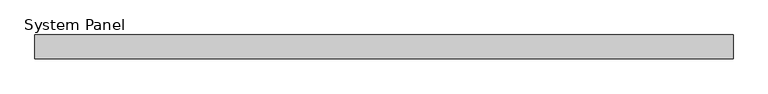
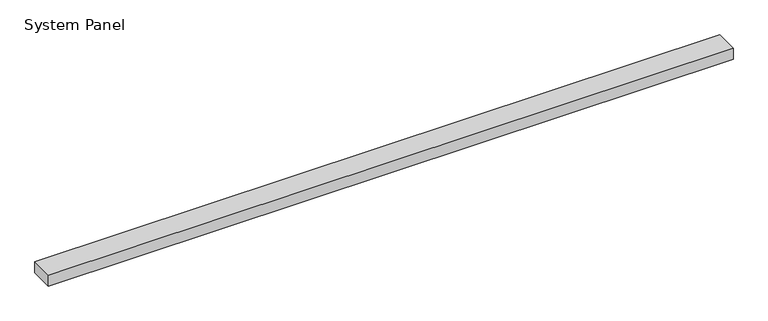
"""IFC4 building model written with IfcOpenShell, lengths in millimetres: plate geometry, System Panel."""

from ifc_helpers import new_model, si_unit, origin, origin_with_axes, place, context, project, spatial, polyline, outline, extrude, source, transform, mapped, element, save


def system_panel_12665939(model_context):
    return source(origin(), model_context, "Body", "SweptSolid", [
        extrude(outline(polyline([(587.5, -54.0), (-587.5, -54.0), (-587.5, -14.0), (587.5, -14.0), (587.5, -54.0)])), origin_with_axes(), (0.0, 0.0, 1.0), 20.0),
    ])


if __name__ == "__main__":
    model = new_model("IFC4")
    model_context = context("Model", 3, world=origin())
    ifc_project = project(units=[si_unit("LENGTHUNIT", "METRE", prefix="MILLI")], contexts=[model_context])
    site = spatial("IfcSite", under=ifc_project)
    building = spatial("IfcBuilding", under=site)
    placement = place(None, origin())
    system_panel_shape = system_panel_12665939(model_context)
    element("IfcPlate", 1, ObjectType="System Panel", at=placement, inside=building, context=model_context, shape_type="MappedRepresentation", body=[
        mapped(system_panel_shape, transform((0.0, 0.0, 0.0), x_axis=(1.0, 0.0, 0.0), y_axis=(0.0, 1.0, 0.0), z_axis=(0.0, 0.0, 1.0))),
    ])
    save(model, "model.ifc")
